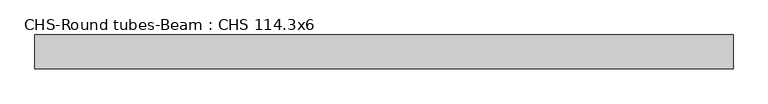
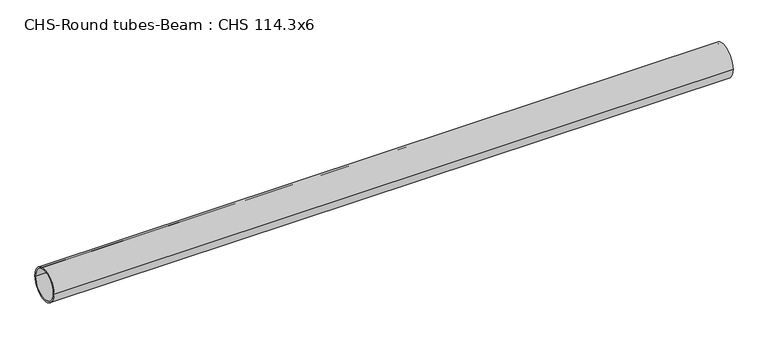
"""IFC4 building model written with IfcOpenShell, lengths in millimetres: beam geometry, CHS-Round tubes-Beam : CHS 114.3x6."""

from ifc_helpers import new_model, si_unit, point, frame, origin, origin_2d, place, context, project, spatial, circle_curve, trimmed, segment, composite_curve, outline, extrude, source, transform, mapped, element, save


def chs_round_tubes_beam_chs_114_3x6_ae70f728(model_context):
    return source(origin(), model_context, "Body", "SweptSolid", [
        extrude(outline(composite_curve([segment(trimmed(circle_curve(origin_2d(), 57.15), [point((57.15, 0.0))], [point((-57.15, 0.0))], False, "CARTESIAN"), True, "CONTINUOUS"), segment(trimmed(circle_curve(origin_2d(), 57.15), [point((-57.15, 0.0))], [point((57.15, 0.0))], False, "CARTESIAN"), True, "CONTINUOUS")], self_intersect=False), holes=[composite_curve([segment(trimmed(circle_curve(origin_2d(), 51.15), [point((51.15, 0.0))], [point((-51.15, 0.0))], True, "CARTESIAN"), True, "CONTINUOUS"), segment(trimmed(circle_curve(origin_2d(), 51.15), [point((-51.15, 0.0))], [point((51.15, 0.0))], True, "CARTESIAN"), True, "CONTINUOUS")], self_intersect=False)]), frame((-1150.4915406, 0.0, 0.0), z_axis=(1.0, 0.0, 0.0), x_axis=(0.0, 1.0, 0.0)), (0.0, 0.0, 1.0), 2361.1336367),
    ])


if __name__ == "__main__":
    model = new_model("IFC4")
    model_context = context("Model", 3, world=origin())
    ifc_project = project(units=[si_unit("LENGTHUNIT", "METRE", prefix="MILLI")], contexts=[model_context])
    site = spatial("IfcSite", under=ifc_project)
    building = spatial("IfcBuilding", under=site)
    placement = place(None, origin())
    chs_round_tubes_beam_chs_114_3x6_shape = chs_round_tubes_beam_chs_114_3x6_ae70f728(model_context)
    element("IfcBeam", 1, ObjectType="CHS-Round tubes-Beam : CHS 114.3x6", at=placement, inside=building, context=model_context, shape_type="MappedRepresentation", body=[
        mapped(chs_round_tubes_beam_chs_114_3x6_shape, transform((0.0, 0.0, 0.0), x_axis=(1.0, 0.0, 0.0), y_axis=(0.0, 1.0, 0.0), z_axis=(0.0, 0.0, 1.0))),
    ])
    save(model, "model.ifc")
